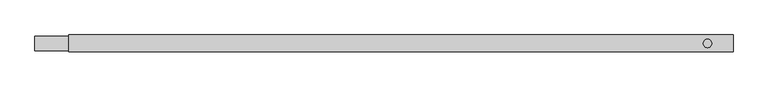
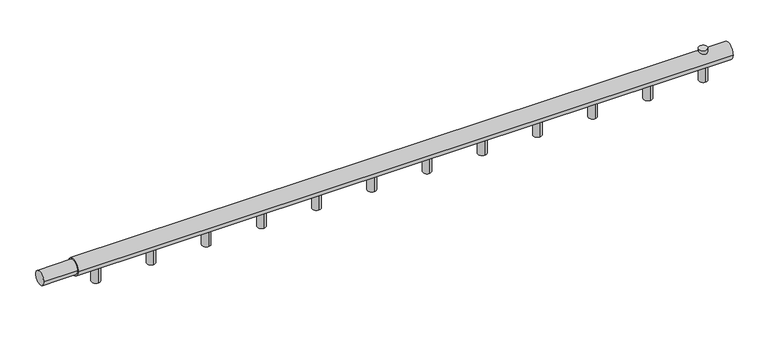
"""IFC4 building model written with IfcOpenShell, lengths in millimetres: proxy geometry."""

import ifcopenshell
import ifcopenshell.guid

model = None  # the IFC model being written
_history = None  # IfcOwnerHistory: only IFC2X3 demands one
_inside = {}  # id of a spatial element -> (the spatial element, [elements in it])
_under = {}  # id of a project, library or spatial element -> (it, [spatial elements below it])
_declared = {}  # id of a project -> (the project, [libraries it declares])
_typed = {}  # id of a type object -> (the type object, [elements of that type])
_made_of = {}  # id of a material, layer set ... -> (it, [elements and type objects made of it])


def new_model(schema):
    """Start an empty IFC model of exactly this schema.

    Asked for "IFC4X3", IfcOpenShell would pick the latest addendum, in which some entities
    have other attributes; the version numbers below select the first issue.
    IFC2X3 requires an IfcOwnerHistory on every rooted entity: one is made here for all.
    """
    global model, _history
    if schema == "IFC4X3":
        model = ifcopenshell.file(schema_version=(4, 3, 0, 0))
    else:
        model = ifcopenshell.file(schema=schema)
    _inside.clear()
    _under.clear()
    _declared.clear()
    _typed.clear()
    _made_of.clear()
    _history = None
    if model.schema == "IFC2X3":
        org = make("IfcOrganization", Name="unknown")
        user = make(
            "IfcPersonAndOrganization",
            ThePerson=make("IfcPerson", FamilyName="unknown"),
            TheOrganization=org,
        )
        app = make(
            "IfcApplication",
            ApplicationDeveloper=org,
            Version="unknown",
            ApplicationFullName="unknown",
            ApplicationIdentifier="unknown",
        )
        _history = make(
            "IfcOwnerHistory",
            OwningUser=user,
            OwningApplication=app,
            ChangeAction="ADDED",
            CreationDate=0,
        )
    return model


def make(cls, **values):
    """One entity of the class cls with the attributes given. An attribute that is None is left unset."""
    return model.create_entity(
        cls, **{name: value for name, value in values.items() if value is not None}
    )


def rooted(cls, **values):
    """An entity with a GlobalId (a new one), such as an element, a storey or a relation."""
    return make(cls, GlobalId=ifcopenshell.guid.new(), OwnerHistory=_history, **values)


def si_unit(unit_type, name, prefix=None):
    """IfcSIUnit, for example si_unit("LENGTHUNIT", "METRE", prefix="MILLI")."""
    return make("IfcSIUnit", UnitType=unit_type, Prefix=prefix, Name=name)


def assignment(units):
    """IfcUnitAssignment: the units of a project."""
    return None if units is None else make("IfcUnitAssignment", Units=units)


def point(xyz):
    """IfcCartesianPoint."""
    return None if xyz is None else make("IfcCartesianPoint", Coordinates=xyz)


def direction(xyz):
    """IfcDirection."""
    return None if xyz is None else make("IfcDirection", DirectionRatios=xyz)


def frame(location, z_axis=None, x_axis=None):
    """IfcAxis2Placement3D, a coordinate frame: its origin and axes. An axis left out is left unset."""
    return make(
        "IfcAxis2Placement3D",
        Location=point(location),
        Axis=direction(z_axis),
        RefDirection=direction(x_axis),
    )


def frame_2d(location, x_axis=None):
    """IfcAxis2Placement2D, a coordinate frame in the plane: its origin and x axis."""
    return make(
        "IfcAxis2Placement2D", Location=point(location), RefDirection=direction(x_axis)
    )


def origin():
    """The frame at (0, 0, 0) with its axes left unset."""
    return frame((0.0, 0.0, 0.0))


def origin_with_axes():
    """The frame at (0, 0, 0) with the z axis (0, 0, 1) and the x axis (1, 0, 0) written out."""
    return frame((0.0, 0.0, 0.0), z_axis=(0.0, 0.0, 1.0), x_axis=(1.0, 0.0, 0.0))


def origin_2d():
    """The frame at (0, 0) in the plane with its x axis left unset."""
    return frame_2d((0.0, 0.0))


def place(relative_to, where):
    """IfcLocalPlacement: puts the frame where relative to a parent placement (None: the world)."""
    return make(
        "IfcLocalPlacement", PlacementRelTo=relative_to, RelativePlacement=where
    )


def context(
    kind, dimensions, precision=None, world=None, true_north=None, identifier=None
):
    """IfcGeometricRepresentationContext, for example the 3D "Model" context."""
    return make(
        "IfcGeometricRepresentationContext",
        ContextIdentifier=identifier,
        ContextType=kind,
        CoordinateSpaceDimension=dimensions,
        Precision=precision,
        WorldCoordinateSystem=world,
        TrueNorth=true_north,
    )


def project(units=None, contexts=None):
    """IfcProject with its units and contexts."""
    return rooted(
        "IfcProject",
        Name="project",
        RepresentationContexts=contexts,
        UnitsInContext=assignment(units),
    )


def spatial(cls, under=None, at=None, **own):
    """A site, building, storey or space (cls), placed at a placement, below another one or the project."""
    s = rooted(cls, ObjectPlacement=at, **own)
    if under is not None:
        _under.setdefault(under.id(), (under, []))[1].append(s)
    return s


def circle_curve(where, radius):
    """IfcCircle in the frame where."""
    return make("IfcCircle", Position=where, Radius=radius)


def trimmed(basis, trim1, trim2, sense, master):
    """IfcTrimmedCurve: the piece of a basis curve between two trims."""
    return make(
        "IfcTrimmedCurve",
        BasisCurve=basis,
        Trim1=trim1,
        Trim2=trim2,
        SenseAgreement=sense,
        MasterRepresentation=master,
    )


def segment(curve, same_sense, transition):
    """IfcCompositeCurveSegment."""
    return make(
        "IfcCompositeCurveSegment",
        Transition=transition,
        SameSense=same_sense,
        ParentCurve=curve,
    )


def composite_curve(segments, self_intersect=None):
    """IfcCompositeCurve: segments joined end to end."""
    return make("IfcCompositeCurve", Segments=segments, SelfIntersect=self_intersect)


def outline(outer, holes=None, kind="AREA"):
    """IfcArbitraryClosedProfileDef: a profile drawn as a closed curve; with holes, ...WithVoids."""
    if holes is None:
        return make("IfcArbitraryClosedProfileDef", ProfileType=kind, OuterCurve=outer)
    return make(
        "IfcArbitraryProfileDefWithVoids",
        ProfileType=kind,
        OuterCurve=outer,
        InnerCurves=holes,
    )


def extrude(swept, where, along, depth):
    """IfcExtrudedAreaSolid: the profile swept, set in the frame where, extruded along a direction by depth."""
    return make(
        "IfcExtrudedAreaSolid",
        SweptArea=swept,
        Position=where,
        ExtrudedDirection=direction(along),
        Depth=depth,
    )


def shape(context_of_items, identifier, shape_type, items):
    """IfcShapeRepresentation: the items that make up one representation, for example the "Body"."""
    return make(
        "IfcShapeRepresentation",
        ContextOfItems=context_of_items,
        RepresentationIdentifier=identifier,
        RepresentationType=shape_type,
        Items=items,
    )


def source(mapping_origin, context_of_items, identifier, shape_type, items):
    """IfcRepresentationMap: a shape defined once, which mapped items show again and again."""
    return make(
        "IfcRepresentationMap",
        MappingOrigin=mapping_origin,
        MappedRepresentation=shape(context_of_items, identifier, shape_type, items),
    )


def transform(
    local_origin,
    x_axis=None,
    y_axis=None,
    z_axis=None,
    scale=None,
    scale2=None,
    scale3=None,
    uniform=True,
):
    """IfcCartesianTransformationOperator3D, or its non-uniform kind. x_axis, y_axis, z_axis: its Axis1, 2, 3."""
    if uniform:
        return make(
            "IfcCartesianTransformationOperator3D",
            Axis1=direction(x_axis),
            Axis2=direction(y_axis),
            LocalOrigin=point(local_origin),
            Scale=scale,
            Axis3=direction(z_axis),
        )
    return make(
        "IfcCartesianTransformationOperator3DnonUniform",
        Axis1=direction(x_axis),
        Axis2=direction(y_axis),
        LocalOrigin=point(local_origin),
        Scale=scale,
        Axis3=direction(z_axis),
        Scale2=scale2,
        Scale3=scale3,
    )


def mapped(mapping_source, mapping_target):
    """IfcMappedItem: shows the shape of a source again, moved by a transform."""
    return make(
        "IfcMappedItem", MappingSource=mapping_source, MappingTarget=mapping_target
    )


def made_of(thing, what):
    """Note that an element or type object is made of a material, layer set ...; save() writes the relation."""
    if what is not None:
        _made_of.setdefault(what.id(), (what, []))[1].append(thing)
    return thing


def element(
    cls,
    number,
    at=None,
    inside=None,
    cuts=None,
    type_object=None,
    material=None,
    context=None,
    identifier="Body",
    shape_type=None,
    held_by="IfcProductDefinitionShape",
    body=None,
    shapes=None,
    **own,
):
    """One element of the class cls, such as IfcWall. Its Tag is "e" and its number.

    at: its placement. inside: the storey or other place that contains it. cuts: it is an
    opening in that element (IfcRelVoidsElement). A single representation is given by context,
    identifier, shape_type and body (its items); several are given by shapes. held_by: the class
    of the entity that holds the representations. save() writes the other relations.
    """
    e = rooted(cls, Tag="e%d" % number, ObjectPlacement=at, **own)
    if body is not None:
        shapes = [shape(context, identifier, shape_type, body)]
    if shapes is not None:
        e.Representation = make(held_by, Representations=shapes)
    if inside is not None:
        _inside.setdefault(inside.id(), (inside, []))[1].append(e)
    if cuts is not None:
        rooted(
            "IfcRelVoidsElement", RelatingBuildingElement=cuts, RelatedOpeningElement=e
        )
    if type_object is not None:
        _typed.setdefault(type_object.id(), (type_object, []))[1].append(e)
    return made_of(e, material)


def aggregate(whole, parts):
    """IfcRelAggregates: a whole, such as a stair, and the parts it consists of."""
    return rooted("IfcRelAggregates", RelatingObject=whole, RelatedObjects=parts)


def save(model, path):
    """Write the relations noted so far, then the file.

    IfcRelAggregates (storeys below a building ...), IfcRelContainedInSpatialStructure (elements
    in a storey), IfcRelDefinesByType, IfcRelAssociatesMaterial and IfcRelDeclares: one each for
    every whole, place, type object, material and project.
    """
    for whole, parts in _under.values():
        aggregate(whole, parts)
    for where, things in _inside.values():
        rooted(
            "IfcRelContainedInSpatialStructure",
            RelatedElements=things,
            RelatingStructure=where,
        )
    for kind, things in _typed.values():
        rooted("IfcRelDefinesByType", RelatedObjects=things, RelatingType=kind)
    for what, things in _made_of.values():
        rooted("IfcRelAssociatesMaterial", RelatedObjects=things, RelatingMaterial=what)
    for by, libraries in _declared.values():
        rooted("IfcRelDeclares", RelatingContext=by, RelatedDefinitions=libraries)
    model.write(path)


def mechanical_equipment_73d4ab14(model_context):
    return source(origin(), model_context, "Body", "SweptSolid", [
        extrude(outline(composite_curve([segment(trimmed(circle_curve(frame_2d((1185.0, 0.0)), 7.5), [point((1177.5, 0.0))], [point((1192.5, 0.0))], False, "CARTESIAN"), True, "CONTINUOUS"), segment(trimmed(circle_curve(frame_2d((1185.0, 0.0)), 7.5), [point((1192.5, 0.0))], [point((1177.5, 0.0))], False, "CARTESIAN"), True, "CONTINUOUS")], self_intersect=False)), origin_with_axes(), (0.0, 0.0, 1.0), 20.0),
        extrude(outline(composite_curve([segment(trimmed(circle_curve(origin_2d(), 12.5), [point((-12.5, 0.0))], [point((12.5, 0.0))], False, "CARTESIAN"), True, "CONTINUOUS"), segment(trimmed(circle_curve(origin_2d(), 12.5), [point((12.5, 0.0))], [point((-12.5, 0.0))], False, "CARTESIAN"), True, "CONTINUOUS")], self_intersect=False)), frame((0.0, 0.0, 0.0), z_axis=(1.0, 0.0, 0.0), x_axis=(0.0, 1.0, 0.0)), (0.0, 0.0, 1.0), 60.0),
        extrude(outline(composite_curve([segment(trimmed(circle_curve(origin_2d(), 15.0), [point((-15.0, 0.0))], [point((15.0, 0.0))], False, "CARTESIAN"), True, "CONTINUOUS"), segment(trimmed(circle_curve(origin_2d(), 15.0), [point((15.0, 0.0))], [point((-15.0, 0.0))], False, "CARTESIAN"), True, "CONTINUOUS")], self_intersect=False)), frame((60.0, 0.0, 0.0), z_axis=(1.0, 0.0, 0.0), x_axis=(0.0, 1.0, 0.0)), (0.0, 0.0, 1.0), 1170.0),
        extrude(outline(composite_curve([segment(trimmed(circle_curve(frame_2d((1086.3636364, 0.0)), 7.5), [point((1086.3636364, 7.5))], [point((1086.3636364, -7.5))], False, "CARTESIAN"), True, "CONTINUOUS"), segment(trimmed(circle_curve(frame_2d((1086.3636364, 0.0)), 7.5), [point((1086.3636364, -7.5))], [point((1086.3636364, 7.5))], False, "CARTESIAN"), True, "CONTINUOUS")], self_intersect=False)), frame((0.0, 0.0, -40.0), z_axis=(0.0, 0.0, 1.0), x_axis=(1.0, 0.0, 0.0)), (0.0, 0.0, 1.0), 40.0),
        extrude(outline(composite_curve([segment(trimmed(circle_curve(frame_2d((987.7272727, 0.0)), 7.5), [point((987.7272727, 7.5))], [point((987.7272727, -7.5))], False, "CARTESIAN"), True, "CONTINUOUS"), segment(trimmed(circle_curve(frame_2d((987.7272727, 0.0)), 7.5), [point((987.7272727, -7.5))], [point((987.7272727, 7.5))], False, "CARTESIAN"), True, "CONTINUOUS")], self_intersect=False)), frame((0.0, 0.0, -40.0), z_axis=(0.0, 0.0, 1.0), x_axis=(1.0, 0.0, 0.0)), (0.0, 0.0, 1.0), 40.0),
        extrude(outline(composite_curve([segment(trimmed(circle_curve(frame_2d((889.0909091, 0.0)), 7.5), [point((889.0909091, 7.5))], [point((889.0909091, -7.5))], False, "CARTESIAN"), True, "CONTINUOUS"), segment(trimmed(circle_curve(frame_2d((889.0909091, 0.0)), 7.5), [point((889.0909091, -7.5))], [point((889.0909091, 7.5))], False, "CARTESIAN"), True, "CONTINUOUS")], self_intersect=False)), frame((0.0, 0.0, -40.0), z_axis=(0.0, 0.0, 1.0), x_axis=(1.0, 0.0, 0.0)), (0.0, 0.0, 1.0), 40.0),
        extrude(outline(composite_curve([segment(trimmed(circle_curve(frame_2d((790.4545455, 0.0)), 7.5), [point((790.4545455, 7.5))], [point((790.4545455, -7.5))], False, "CARTESIAN"), True, "CONTINUOUS"), segment(trimmed(circle_curve(frame_2d((790.4545455, 0.0)), 7.5), [point((790.4545455, -7.5))], [point((790.4545455, 7.5))], False, "CARTESIAN"), True, "CONTINUOUS")], self_intersect=False)), frame((0.0, 0.0, -40.0), z_axis=(0.0, 0.0, 1.0), x_axis=(1.0, 0.0, 0.0)), (0.0, 0.0, 1.0), 40.0),
        extrude(outline(composite_curve([segment(trimmed(circle_curve(frame_2d((691.8181818, 0.0)), 7.5), [point((691.8181818, 7.5))], [point((691.8181818, -7.5))], False, "CARTESIAN"), True, "CONTINUOUS"), segment(trimmed(circle_curve(frame_2d((691.8181818, 0.0)), 7.5), [point((691.8181818, -7.5))], [point((691.8181818, 7.5))], False, "CARTESIAN"), True, "CONTINUOUS")], self_intersect=False)), frame((0.0, 0.0, -40.0), z_axis=(0.0, 0.0, 1.0), x_axis=(1.0, 0.0, 0.0)), (0.0, 0.0, 1.0), 40.0),
        extrude(outline(composite_curve([segment(trimmed(circle_curve(frame_2d((593.1818182, 0.0)), 7.5), [point((593.1818182, 7.5))], [point((593.1818182, -7.5))], False, "CARTESIAN"), True, "CONTINUOUS"), segment(trimmed(circle_curve(frame_2d((593.1818182, 0.0)), 7.5), [point((593.1818182, -7.5))], [point((593.1818182, 7.5))], False, "CARTESIAN"), True, "CONTINUOUS")], self_intersect=False)), frame((0.0, 0.0, -40.0), z_axis=(0.0, 0.0, 1.0), x_axis=(1.0, 0.0, 0.0)), (0.0, 0.0, 1.0), 40.0),
        extrude(outline(composite_curve([segment(trimmed(circle_curve(frame_2d((494.5454545, 0.0)), 7.5), [point((494.5454545, 7.5))], [point((494.5454545, -7.5))], False, "CARTESIAN"), True, "CONTINUOUS"), segment(trimmed(circle_curve(frame_2d((494.5454545, 0.0)), 7.5), [point((494.5454545, -7.5))], [point((494.5454545, 7.5))], False, "CARTESIAN"), True, "CONTINUOUS")], self_intersect=False)), frame((0.0, 0.0, -40.0), z_axis=(0.0, 0.0, 1.0), x_axis=(1.0, 0.0, 0.0)), (0.0, 0.0, 1.0), 40.0),
        extrude(outline(composite_curve([segment(trimmed(circle_curve(frame_2d((395.9090909, 0.0)), 7.5), [point((395.9090909, 7.5))], [point((395.9090909, -7.5))], False, "CARTESIAN"), True, "CONTINUOUS"), segment(trimmed(circle_curve(frame_2d((395.9090909, 0.0)), 7.5), [point((395.9090909, -7.5))], [point((395.9090909, 7.5))], False, "CARTESIAN"), True, "CONTINUOUS")], self_intersect=False)), frame((0.0, 0.0, -40.0), z_axis=(0.0, 0.0, 1.0), x_axis=(1.0, 0.0, 0.0)), (0.0, 0.0, 1.0), 40.0),
        extrude(outline(composite_curve([segment(trimmed(circle_curve(frame_2d((297.2727273, 0.0)), 7.5), [point((297.2727273, 7.5))], [point((297.2727273, -7.5))], False, "CARTESIAN"), True, "CONTINUOUS"), segment(trimmed(circle_curve(frame_2d((297.2727273, 0.0)), 7.5), [point((297.2727273, -7.5))], [point((297.2727273, 7.5))], False, "CARTESIAN"), True, "CONTINUOUS")], self_intersect=False)), frame((0.0, 0.0, -40.0), z_axis=(0.0, 0.0, 1.0), x_axis=(1.0, 0.0, 0.0)), (0.0, 0.0, 1.0), 40.0),
        extrude(outline(composite_curve([segment(trimmed(circle_curve(frame_2d((198.6363636, 0.0)), 7.5), [point((198.6363636, 7.5))], [point((198.6363636, -7.5))], False, "CARTESIAN"), True, "CONTINUOUS"), segment(trimmed(circle_curve(frame_2d((198.6363636, 0.0)), 7.5), [point((198.6363636, -7.5))], [point((198.6363636, 7.5))], False, "CARTESIAN"), True, "CONTINUOUS")], self_intersect=False)), frame((0.0, 0.0, -40.0), z_axis=(0.0, 0.0, 1.0), x_axis=(1.0, 0.0, 0.0)), (0.0, 0.0, 1.0), 40.0),
        extrude(outline(composite_curve([segment(trimmed(circle_curve(frame_2d((1185.0, 0.0)), 7.5), [point((1185.0, 7.5))], [point((1185.0, -7.5))], False, "CARTESIAN"), True, "CONTINUOUS"), segment(trimmed(circle_curve(frame_2d((1185.0, 0.0)), 7.5), [point((1185.0, -7.5))], [point((1185.0, 7.5))], False, "CARTESIAN"), True, "CONTINUOUS")], self_intersect=False)), frame((0.0, 0.0, -40.0), z_axis=(0.0, 0.0, 1.0), x_axis=(1.0, 0.0, 0.0)), (0.0, 0.0, 1.0), 40.0),
        extrude(outline(composite_curve([segment(trimmed(circle_curve(frame_2d((100.0, 0.0)), 7.5), [point((100.0, 7.5))], [point((100.0, -7.5))], False, "CARTESIAN"), True, "CONTINUOUS"), segment(trimmed(circle_curve(frame_2d((100.0, 0.0)), 7.5), [point((100.0, -7.5))], [point((100.0, 7.5))], False, "CARTESIAN"), True, "CONTINUOUS")], self_intersect=False)), frame((0.0, 0.0, -40.0), z_axis=(0.0, 0.0, 1.0), x_axis=(1.0, 0.0, 0.0)), (0.0, 0.0, 1.0), 40.0),
    ])


if __name__ == "__main__":
    model = new_model("IFC4")
    model_context = context("Model", 3, world=origin())
    ifc_project = project(units=[si_unit("LENGTHUNIT", "METRE", prefix="MILLI")], contexts=[model_context])
    site = spatial("IfcSite", under=ifc_project)
    building = spatial("IfcBuilding", under=site)
    placement = place(None, origin())
    mechanical_equipment_shape = mechanical_equipment_73d4ab14(model_context)
    element("IfcBuildingElementProxy", 1, Name="Mechanical Equipment", at=placement, inside=building, context=model_context, shape_type="MappedRepresentation", body=[
        mapped(mechanical_equipment_shape, transform((0.0, 0.0, 0.0), x_axis=(1.0, 0.0, 0.0), y_axis=(0.0, 1.0, 0.0), z_axis=(0.0, 0.0, 1.0))),
    ])
    save(model, "model.ifc")
